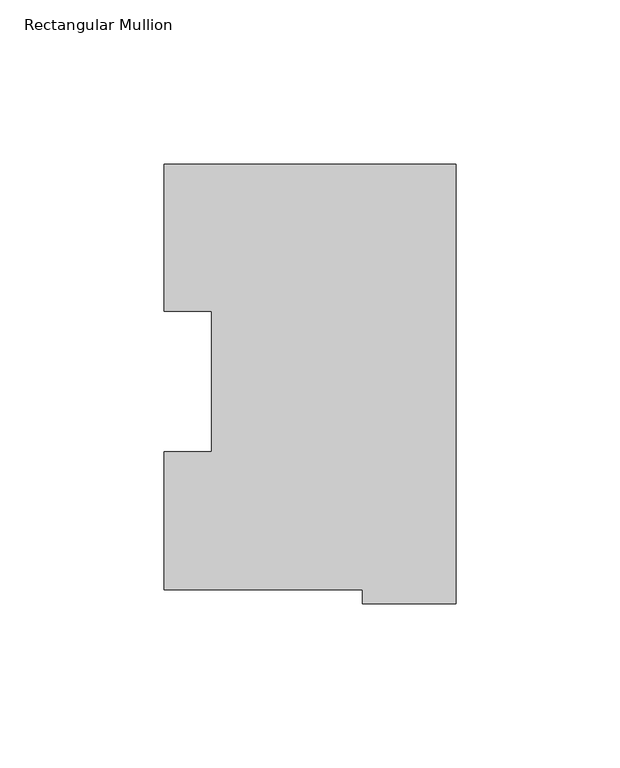
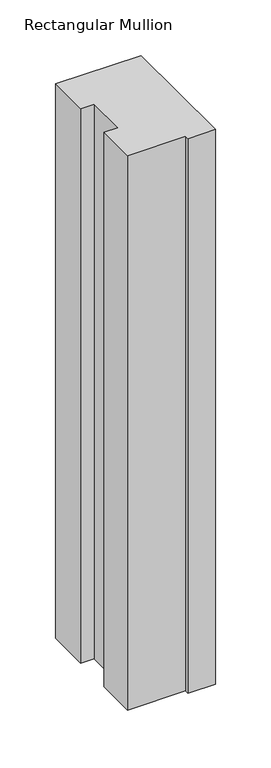
"""IFC4 building model written with IfcOpenShell, lengths in millimetres: member geometry, Rectangular Mullion."""

from ifc_helpers import new_model, si_unit, frame, origin, place, context, project, spatial, polyline, outline, extrude, source, transform, mapped, element, save


def rectangular_mullion_593c4be9(model_context):
    return source(origin(), model_context, "Body", "SweptSolid", [
        extrude(outline(polyline([(-88.99652, 130.0368875), (0.0, 130.0368875), (0.0, -3.9735125), (-28.56992, -3.9735125), (-28.56992, 0.2428875), (-89.1408142, 0.2428875), (-89.1408142, 42.2798875), (-74.6252, 42.2798875), (-74.6252, 85.1296875), (-88.99652, 85.1296875), (-88.99652, 130.0368875)])), frame((0.0, 0.0, -609.6), z_axis=(0.0, 0.0, 1.0), x_axis=(1.0, 0.0, 0.0)), (0.0, 0.0, 1.0), 609.6),
    ])


if __name__ == "__main__":
    model = new_model("IFC4")
    model_context = context("Model", 3, world=origin())
    ifc_project = project(units=[si_unit("LENGTHUNIT", "METRE", prefix="MILLI")], contexts=[model_context])
    site = spatial("IfcSite", under=ifc_project)
    building = spatial("IfcBuilding", under=site)
    placement = place(None, origin())
    rectangular_mullion_shape = rectangular_mullion_593c4be9(model_context)
    element("IfcMember", 1, ObjectType="Rectangular Mullion", at=placement, inside=building, context=model_context, shape_type="MappedRepresentation", body=[
        mapped(rectangular_mullion_shape, transform((0.0, 0.0, 0.0), x_axis=(1.0, 0.0, 0.0), y_axis=(0.0, 1.0, 0.0), z_axis=(0.0, 0.0, 1.0))),
    ])
    save(model, "model.ifc")
